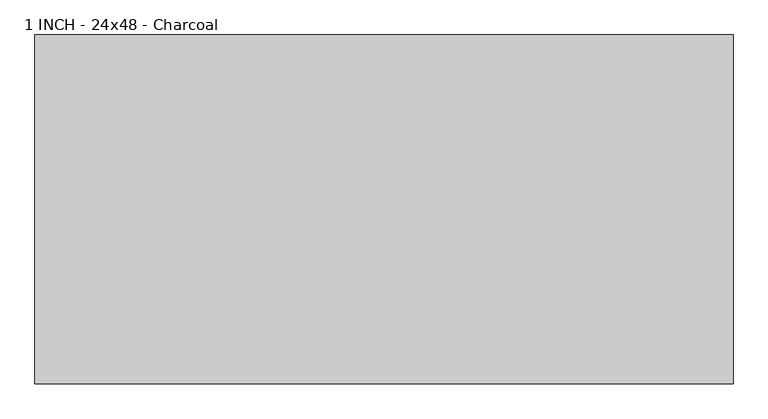
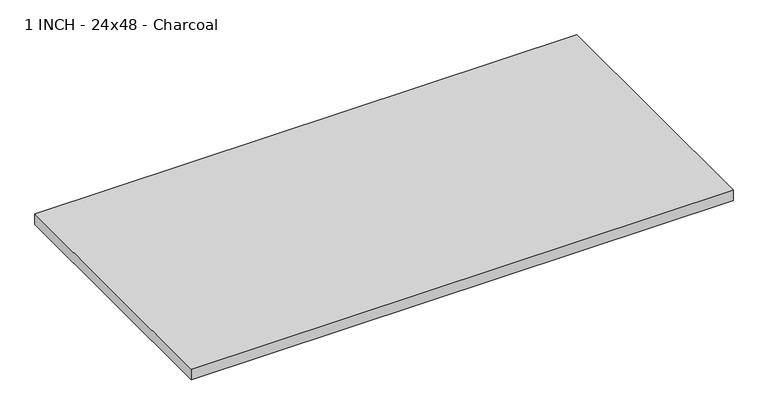
"""IFC4 building model written with IfcOpenShell, lengths in millimetres: proxy geometry, 1 INCH - 24x48 - Charcoal."""

from ifc_helpers import new_model, si_unit, origin, origin_with_axes, place, context, project, spatial, polyline, outline, extrude, source, transform, mapped, element, save


def proxy_1_inch_24x48_charcoal_82ed4230(model_context):
    return source(origin(), model_context, "Body", "SweptSolid", [
        extrude(outline(polyline([(-609.6, 304.8), (609.6, 304.8), (609.6, -304.8), (-609.6, -304.8), (-609.6, 304.8)])), origin_with_axes(), (0.0, 0.0, 1.0), 25.4),
    ])


if __name__ == "__main__":
    model = new_model("IFC4")
    model_context = context("Model", 3, world=origin())
    ifc_project = project(units=[si_unit("LENGTHUNIT", "METRE", prefix="MILLI")], contexts=[model_context])
    site = spatial("IfcSite", under=ifc_project)
    building = spatial("IfcBuilding", under=site)
    placement = place(None, origin())
    proxy_1_inch_24x48_charcoal_shape = proxy_1_inch_24x48_charcoal_82ed4230(model_context)
    element("IfcBuildingElementProxy", 1, Name="1 INCH - 24x48 - Charcoal", ObjectType="1 INCH - 24x48 - Charcoal", at=placement, inside=building, context=model_context, shape_type="MappedRepresentation", body=[
        mapped(proxy_1_inch_24x48_charcoal_shape, transform((0.0, 0.0, 0.0), x_axis=(1.0, 0.0, 0.0), y_axis=(0.0, 1.0, 0.0), z_axis=(0.0, 0.0, 1.0))),
    ])
    save(model, "model.ifc")
